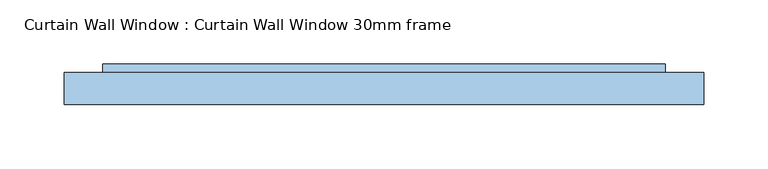
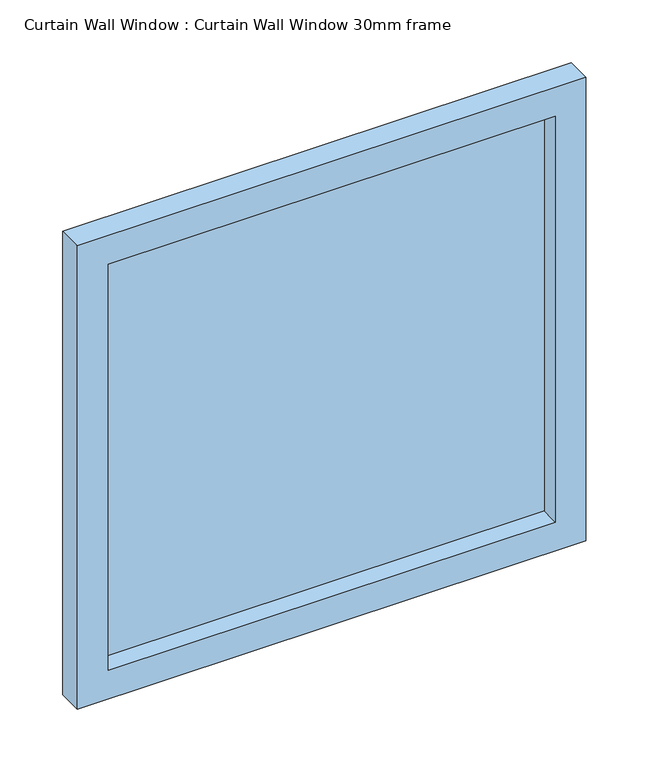
"""IFC4 building model written with IfcOpenShell, lengths in millimetres: window geometry, Curtain Wall Window : Curtain Wall Window 30mm frame."""

from ifc_helpers import new_model, si_unit, frame, origin, place, context, project, spatial, polyline, outline, extrude, source, transform, mapped, element, save


def curtain_wall_window_curtain_wall_window_30mm_frame_001b4a86(model_context):
    return source(origin(), model_context, "Body", "SweptSolid", [
        extrude(outline(polyline([(219.5000232, 19.05), (-219.5000232, 19.05), (-219.5000232, 31.75), (219.5000232, 31.75), (219.5000232, 19.05)])), frame((0.0, 0.0, 30.0), z_axis=(0.0, 0.0, 1.0), x_axis=(1.0, 0.0, 0.0)), (0.0, 0.0, 1.0), 421.0000097),
        extrude(outline(polyline([(481.0000097, -249.5000232), (0.0, -249.5000232), (0.0, 249.5000232), (481.0000097, 249.5000232), (481.0000097, -249.5000232)]), holes=[polyline([(451.0000097, -219.5000232), (451.0000097, 219.5000232), (30.0, 219.5000232), (30.0, -219.5000232), (451.0000097, -219.5000232)])]), frame((0.0, 0.0, 0.0), z_axis=(0.0, 1.0, 0.0), x_axis=(0.0, 0.0, 1.0)), (0.0, 0.0, 1.0), 25.0),
    ])


if __name__ == "__main__":
    model = new_model("IFC4")
    model_context = context("Model", 3, world=origin())
    ifc_project = project(units=[si_unit("LENGTHUNIT", "METRE", prefix="MILLI")], contexts=[model_context])
    site = spatial("IfcSite", under=ifc_project)
    building = spatial("IfcBuilding", under=site)
    placement = place(None, origin())
    curtain_wall_window_curtain_wall_window_30mm_frame_shape = curtain_wall_window_curtain_wall_window_30mm_frame_001b4a86(model_context)
    element("IfcWindow", 1, ObjectType="Curtain Wall Window : Curtain Wall Window 30mm frame", at=placement, inside=building, context=model_context, shape_type="MappedRepresentation", body=[
        mapped(curtain_wall_window_curtain_wall_window_30mm_frame_shape, transform((0.0, 0.0, 0.0), x_axis=(1.0, 0.0, 0.0), y_axis=(0.0, 1.0, 0.0), z_axis=(0.0, 0.0, 1.0))),
    ])
    save(model, "model.ifc")
